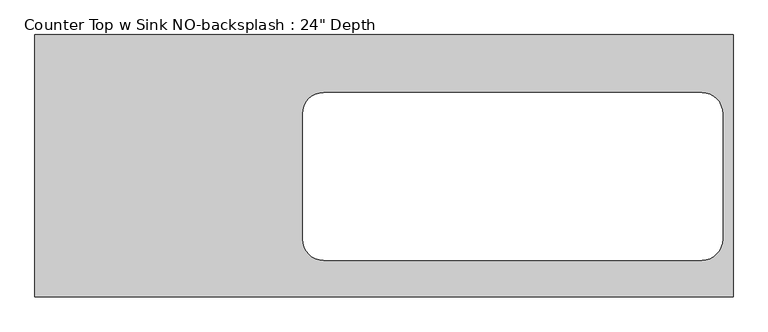
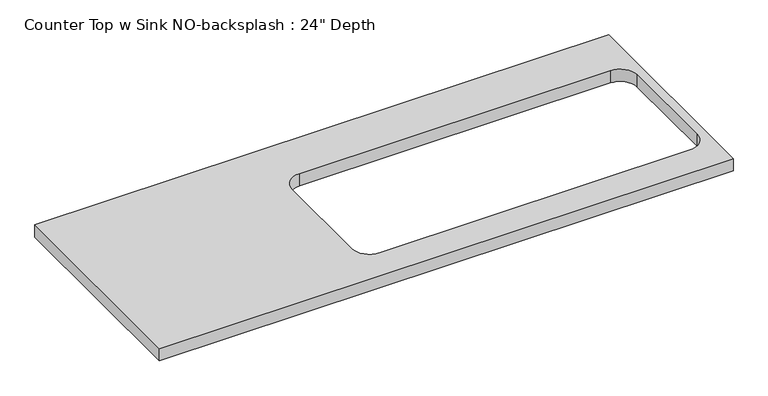
"""IFC4 building model written with IfcOpenShell, lengths in millimetres: furniture geometry."""

from ifc_helpers import new_model, si_unit, point, frame, frame_2d, origin, place, context, project, spatial, polyline, circle_curve, trimmed, segment, composite_curve, outline, extrude, source, transform, mapped, element, save


def furniture_ba9894ff(model_context):
    return source(origin(), model_context, "Body", "SweptSolid", [
        extrude(outline(polyline([(488.6377049, 0.0), (488.6377049, -635.0), (-1200.4622951, -635.0), (-1200.4622951, 0.0), (488.6377049, 0.0)]), holes=[composite_curve([segment(polyline([(412.4377049, -139.7), (-501.9622951, -139.7)]), True, "CONTINUOUS"), segment(trimmed(circle_curve(frame_2d((-501.9622951, -190.5)), 50.8), [point((-501.9622951, -139.7))], [point((-552.7622951, -190.5))], True, "CARTESIAN"), True, "CONTINUOUS"), segment(polyline([(-552.7622951, -190.5), (-552.7622951, -495.3)]), True, "CONTINUOUS"), segment(trimmed(circle_curve(frame_2d((-501.9622951, -495.3)), 50.8), [point((-552.7622951, -495.3))], [point((-501.9622951, -546.1))], True, "CARTESIAN"), True, "CONTINUOUS"), segment(polyline([(-501.9622951, -546.1), (412.4377049, -546.1)]), True, "CONTINUOUS"), segment(trimmed(circle_curve(frame_2d((412.4377049, -495.3)), 50.8), [point((412.4377049, -546.1))], [point((463.2377049, -495.3))], True, "CARTESIAN"), True, "CONTINUOUS"), segment(polyline([(463.2377049, -495.3), (463.2377049, -190.5)]), True, "CONTINUOUS"), segment(trimmed(circle_curve(frame_2d((412.4377049, -190.5)), 50.8), [point((463.2377049, -190.5))], [point((412.4377049, -139.7))], True, "CARTESIAN"), True, "CONTINUOUS")], self_intersect=False)]), frame((0.0, 0.0, 876.3), z_axis=(0.0, 0.0, 1.0), x_axis=(1.0, 0.0, 0.0)), (0.0, 0.0, 1.0), 38.1),
    ])


if __name__ == "__main__":
    model = new_model("IFC4")
    model_context = context("Model", 3, world=origin())
    ifc_project = project(units=[si_unit("LENGTHUNIT", "METRE", prefix="MILLI")], contexts=[model_context])
    site = spatial("IfcSite", under=ifc_project)
    building = spatial("IfcBuilding", under=site)
    placement = place(None, origin())
    furniture_shape = furniture_ba9894ff(model_context)
    element("IfcFurniture", 1, ObjectType="Counter Top w Sink NO-backsplash : 24\" Depth", at=placement, inside=building, context=model_context, shape_type="MappedRepresentation", body=[
        mapped(furniture_shape, transform((0.0, 0.0, 0.0), x_axis=(1.0, 0.0, 0.0), y_axis=(0.0, 1.0, 0.0), z_axis=(0.0, 0.0, 1.0))),
    ])
    save(model, "model.ifc")
